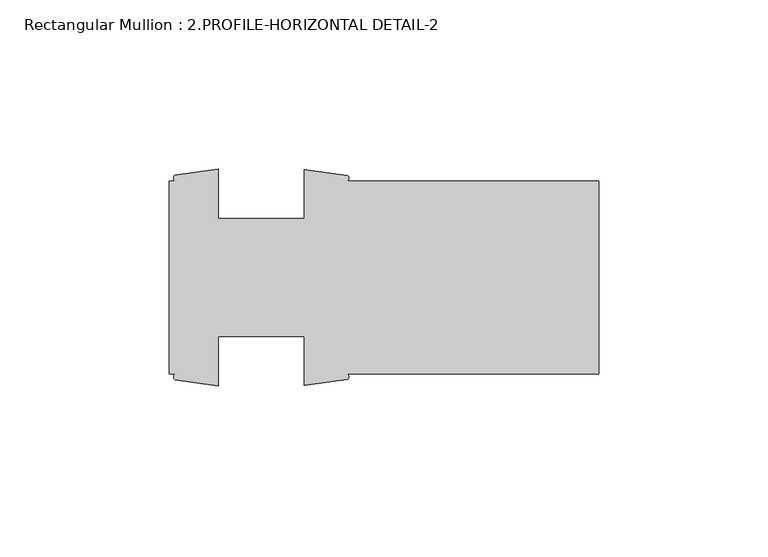
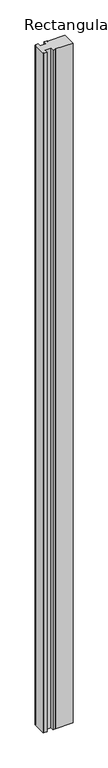
"""IFC4 building model written with IfcOpenShell, lengths in millimetres: member geometry, Rectangular Mullion : 2.PROFILE-HORIZONTAL DETAIL-2."""

from ifc_helpers import new_model, si_unit, point, frame, frame_2d, origin, place, context, project, spatial, polyline, circle_curve, trimmed, segment, composite_curve, outline, extrude, source, transform, mapped, element, save


def rectangular_mullion_2_profile_horizontal_detail_2_adfd1ba8(model_context):
    return source(origin(), model_context, "Body", "SweptSolid", [
        extrude(outline(composite_curve([segment(polyline([(0.0, 28.575), (0.0, -28.575), (-74.396475, -28.575)]), True, "CONTINUOUS"), segment(trimmed(circle_curve(frame_2d((-74.7418481, -29.373)), 0.8695324), [point((-74.396475, -28.575))], [point((-74.396475, -30.171))], False, "CARTESIAN"), True, "CONTINUOUS"), segment(polyline([(-74.396475, -30.171), (-87.096475, -31.971), (-87.096475, -17.4625), (-112.496475, -17.4625), (-112.496475, -32.0945217), (-125.196475, -30.2490201)]), True, "CONTINUOUS"), segment(trimmed(circle_curve(frame_2d((-124.7783983, -29.41201)), 0.9356142), [point((-125.196475, -30.2490201))], [point((-125.196475, -28.575))], False, "CARTESIAN"), True, "CONTINUOUS"), segment(polyline([(-125.196475, -28.575), (-127.0, -28.575), (-127.0, 28.575), (-125.2695278, 28.575)]), True, "CONTINUOUS"), segment(trimmed(circle_curve(frame_2d((-124.746792, 29.4067022)), 0.9823346), [point((-125.2695278, 28.575))], [point((-125.2695278, 30.2384044))], False, "CARTESIAN"), True, "CONTINUOUS"), segment(polyline([(-125.2695278, 30.2384044), (-112.496475, 32.0945217), (-112.496475, 17.4625), (-87.096475, 17.4625), (-87.096475, 31.971), (-74.3251874, 30.1608963)]), True, "CONTINUOUS"), segment(trimmed(circle_curve(frame_2d((-74.7587004, 29.3679481)), 0.9037147), [point((-74.3251874, 30.1608963))], [point((-74.3251874, 28.575))], False, "CARTESIAN"), True, "CONTINUOUS"), segment(polyline([(-74.3251874, 28.575), (0.0, 28.575)]), True, "CONTINUOUS")], self_intersect=False)), frame((0.0, 0.0, -3048.0), z_axis=(0.0, 0.0, 1.0), x_axis=(1.0, 0.0, 0.0)), (0.0, 0.0, 1.0), 3048.0),
    ])


if __name__ == "__main__":
    model = new_model("IFC4")
    model_context = context("Model", 3, world=origin())
    ifc_project = project(units=[si_unit("LENGTHUNIT", "METRE", prefix="MILLI")], contexts=[model_context])
    site = spatial("IfcSite", under=ifc_project)
    building = spatial("IfcBuilding", under=site)
    placement = place(None, origin())
    rectangular_mullion_2_profile_horizontal_detail_2_shape = rectangular_mullion_2_profile_horizontal_detail_2_adfd1ba8(model_context)
    element("IfcMember", 1, ObjectType="Rectangular Mullion : 2.PROFILE-HORIZONTAL DETAIL-2", at=placement, inside=building, context=model_context, shape_type="MappedRepresentation", body=[
        mapped(rectangular_mullion_2_profile_horizontal_detail_2_shape, transform((0.0, 0.0, 0.0), x_axis=(1.0, 0.0, 0.0), y_axis=(0.0, 1.0, 0.0), z_axis=(0.0, 0.0, 1.0))),
    ])
    save(model, "model.ifc")
